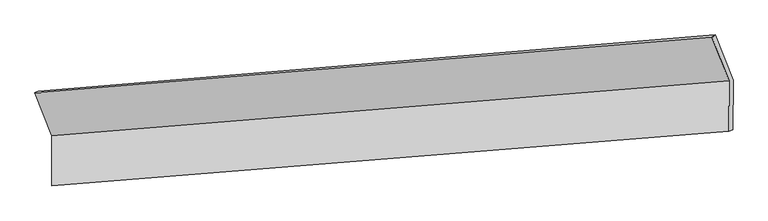
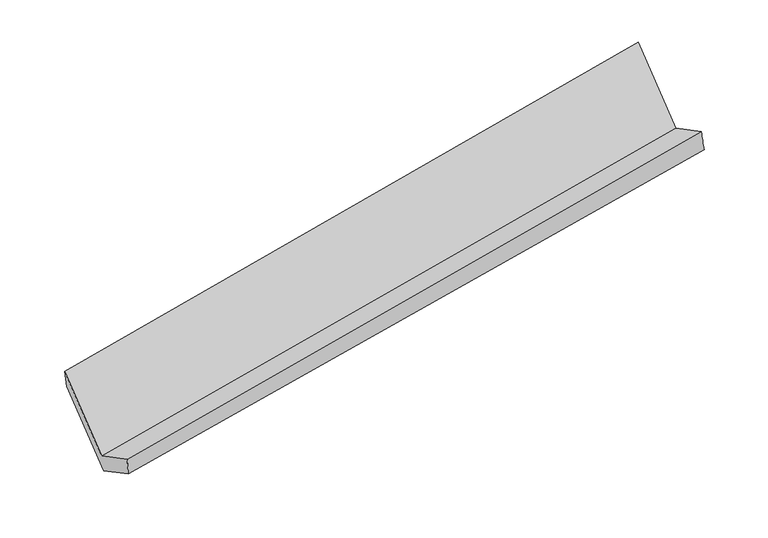
"""IFC4 building model written with IfcOpenShell, lengths in millimetres: proxy geometry."""

from ifc_helpers import new_model, si_unit, frame, origin, place, context, project, spatial, source, transform, mapped, element, save
from ifc_brep_helpers import plane_surface, spline_surface, advanced_brep


def generic_models_0462a0a3(model_context):
    return source(origin(), model_context, "Body", "AdvancedBrep", [
        advanced_brep(
        [(-5366.7122573, -1384.0980887, 1895.8068783), (-5245.3928992, -1690.5126385, 1319.4276391), (-418.0601851, -1300.5129712, 2174.6284271), (-540.6320837, -990.934898, 2756.9583928), (-5247.9857251, -2047.7224454, 1508.7816525), (-420.653011, -1657.7227781, 2363.9824406), (-5225.6424908, -2025.2019729, 1364.2056551), (-392.7688739, -1649.1968837, 2193.0820263), (-5223.1333733, -1679.52455, 1180.9648646), (-390.1956256, -1294.6842495, 2005.1577622), (-5343.3636714, -1375.8606234, 1752.1700605), (-517.6909658, -972.6711108, 2610.8786326)],
        [
            (0, 1),
            (1, 2),
            (2, 3),
            (3, 0),
            (1, 4),
            (4, 5),
            (5, 2),
            (4, 6),
            (6, 7),
            (7, 5),
            (6, 8),
            (8, 9),
            (9, 7),
            (8, 10),
            (10, 11),
            (11, 9),
            (10, 0),
            (3, 11),
        ],
        [
            plane_surface(frame((-5306.0525783, -1537.3053636, 1607.6172587), z_axis=(-0.01141085826466283, -0.8839164704731244, 0.46750557808436694), x_axis=(0.18272535866945028, -0.4615067982810571, -0.8681145767924234))),
            plane_surface(frame((-5246.6893122, -1869.117542, 1414.1046458), z_axis=(-0.19078032652022198, 0.46083524314870195, 0.8667374144946751), x_axis=(-0.006413083969630702, -0.8835211435007646, 0.4683473725143547))),
            spline_surface(1, 1, [[(-5247.9857251, -2047.7224454, 1508.7816525), (-420.653011, -1657.7227781, 2363.9824406)], [(-5225.6424908, -2025.2019729, 1364.2056551), (-392.7688739, -1649.1968837, 2193.0820263)]], [2, 2], [2, 2], [0.0, 1.0], [0.0, 1.0]),
            plane_surface(frame((-5224.3879321, -1852.3632614, 1272.5852599), z_axis=(0.18472414545769722, -0.4613431450806121, -0.8677784812796714), x_axis=(0.006413083969587715, 0.883521143500765, -0.46834737251435465))),
            plane_surface(frame((-5283.2485224, -1527.6925867, 1466.5674625), z_axis=(0.009411793232451615, 0.8837610815546195, -0.4678437440829565), x_axis=(-0.1827253586694452, 0.4615067982810614, 0.8681145767924222))),
            spline_surface(1, 1, [[(-5343.3636714, -1375.8606234, 1752.1700605), (-517.6909658, -972.6711108, 2610.8786326)], [(-5366.7122573, -1384.0980887, 1895.8068783), (-540.6320837, -990.934898, 2756.9583928)]], [2, 2], [2, 2], [0.0, 1.0], [0.0, 1.0]),
            plane_surface(frame((-446.6667908, -1310.9538152, 2350.7812803), z_axis=(0.9831430799497707, 0.0800116499483465, 0.164401399688148), x_axis=(-0.1827253586694452, 0.4615067982810614, 0.8681145767924222))),
            plane_surface(frame((-5275.3717362, -1700.4867198, 1503.5594583), z_axis=(-0.9831430799497706, -0.0800116499484082, -0.1644013996881185), x_axis=(0.16019053021219318, 0.056515796196211755, -0.9854668735227201))),
        ],
        [
            (0, [[1, 2, 3, 4]]),
            (1, [[5, 6, 7, -2]]),
            (2, [[8, 9, 10, -6]]),
            (3, [[11, 12, 13, -9]]),
            (4, [[14, 15, 16, -12]]),
            (5, [[17, -4, 18, -15]]),
            (6, [[-16, -18, -3, -7, -10, -13]]),
            (7, [[-17, -14, -11, -8, -5, -1]]),
        ],
    ),
    ])


if __name__ == "__main__":
    model = new_model("IFC4")
    model_context = context("Model", 3, world=origin())
    ifc_project = project(units=[si_unit("LENGTHUNIT", "METRE", prefix="MILLI")], contexts=[model_context])
    site = spatial("IfcSite", under=ifc_project)
    building = spatial("IfcBuilding", under=site)
    placement = place(None, origin())
    generic_models_shape = generic_models_0462a0a3(model_context)
    element("IfcBuildingElementProxy", 1, Name="Generic Models", at=placement, inside=building, context=model_context, shape_type="MappedRepresentation", body=[
        mapped(generic_models_shape, transform((0.0, 0.0, 0.0), x_axis=(1.0, 0.0, 0.0), y_axis=(0.0, 1.0, 0.0), z_axis=(0.0, 0.0, 1.0))),
    ])
    save(model, "model.ifc")
